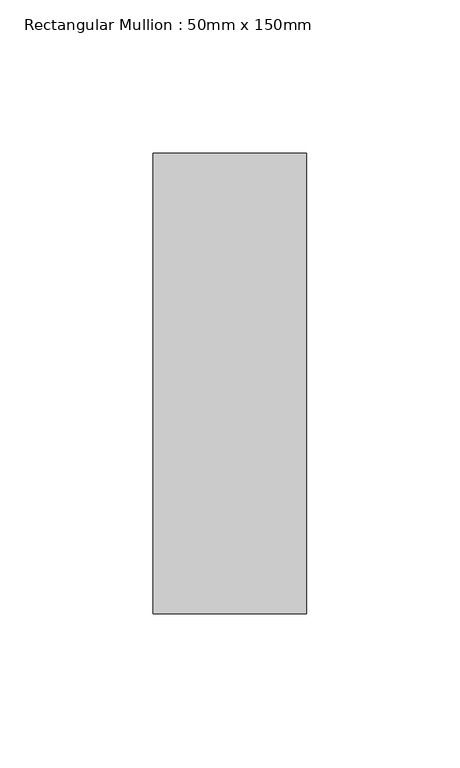
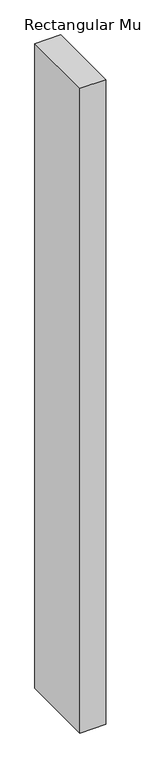
"""IFC4 building model written with IfcOpenShell, lengths in millimetres: member geometry, Rectangular Mullion : 50mm x 150mm."""

from ifc_helpers import new_model, si_unit, frame, origin, place, context, project, spatial, polyline, outline, extrude, source, transform, mapped, element, save


def rectangular_mullion_50mm_x_150mm_2da5370c(model_context):
    return source(origin(), model_context, "Body", "SweptSolid", [
        extrude(outline(polyline([(0.0, 75.0), (0.0, -75.0), (-50.0, -75.0), (-50.0, 75.0), (0.0, 75.0)])), frame((0.0, 0.0, -1310.0), z_axis=(0.0, 0.0, 1.0), x_axis=(1.0, 0.0, 0.0)), (0.0, 0.0, 1.0), 1310.0),
    ])


if __name__ == "__main__":
    model = new_model("IFC4")
    model_context = context("Model", 3, world=origin())
    ifc_project = project(units=[si_unit("LENGTHUNIT", "METRE", prefix="MILLI")], contexts=[model_context])
    site = spatial("IfcSite", under=ifc_project)
    building = spatial("IfcBuilding", under=site)
    placement = place(None, origin())
    rectangular_mullion_50mm_x_150mm_shape = rectangular_mullion_50mm_x_150mm_2da5370c(model_context)
    element("IfcMember", 1, ObjectType="Rectangular Mullion : 50mm x 150mm", at=placement, inside=building, context=model_context, shape_type="MappedRepresentation", body=[
        mapped(rectangular_mullion_50mm_x_150mm_shape, transform((0.0, 0.0, 0.0), x_axis=(1.0, 0.0, 0.0), y_axis=(0.0, 1.0, 0.0), z_axis=(0.0, 0.0, 1.0))),
    ])
    save(model, "model.ifc")
